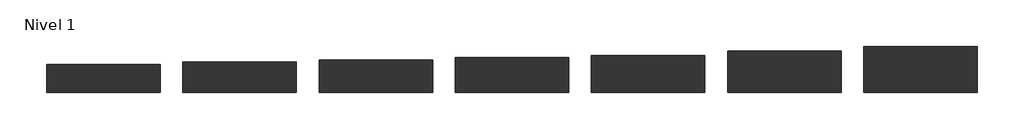
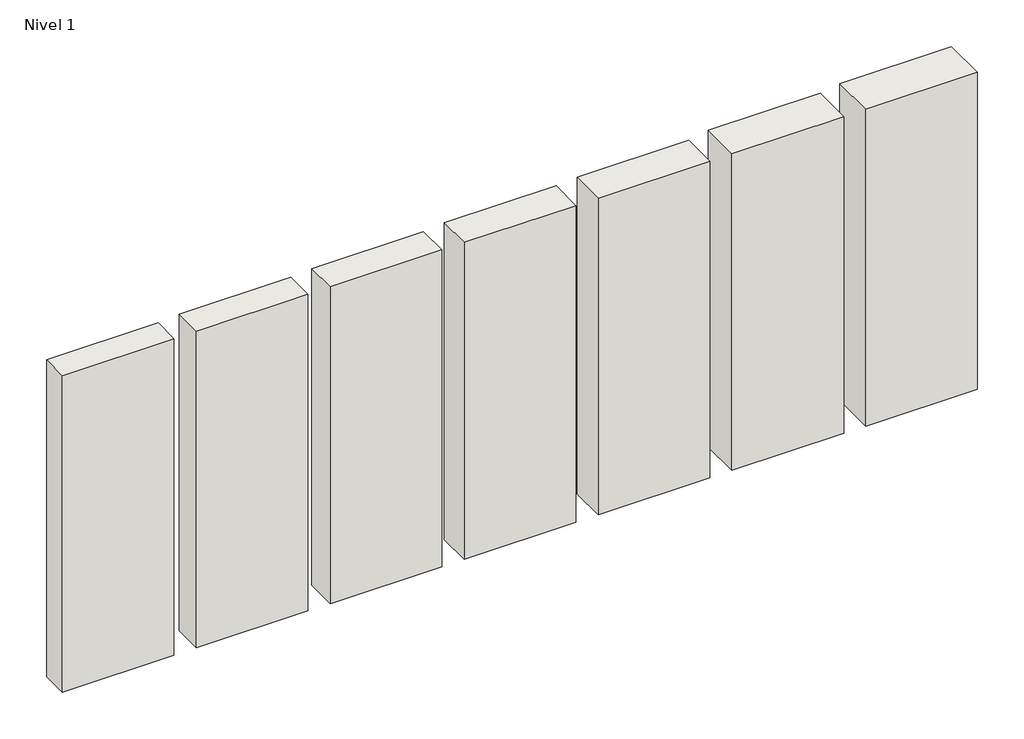
# One storey: 7 walls.
"""IFC4 building model written with IfcOpenShell, lengths in millimetres."""

from ifc_helpers import new_model, si_unit, origin, origin_with_axes, place, context, project, spatial, polyline, outline, extrude, element, save

model = new_model("IFC4")

# Units and contexts
model_context = context("Model", 3, world=origin())
ifc_project = project(units=[si_unit("LENGTHUNIT", "METRE", prefix="MILLI")], contexts=[model_context])

# Site, building, storey
site = spatial("IfcSite", under=ifc_project)
building = spatial("IfcBuilding", under=site)
storey = spatial("IfcBuildingStorey", under=building, Name="Nivel 1", Elevation=0.0)

# Walls
placement = place(None, origin())
element("IfcWall", 1, at=placement, inside=storey, context=model_context, shape_type="SweptSolid", body=[
    extrude(outline(polyline([(1084.4345966, -810.4108764), (84.4345966, -810.4108764), (84.4345966, -545.4108764), (1084.4345966, -545.4108764), (1084.4345966, -810.4108764)])), origin_with_axes(), (0.0, 0.0, 1.0), 3000.0),
])
element("IfcWall", 2, at=placement, inside=storey, context=model_context, shape_type="SweptSolid", body=[
    extrude(outline(polyline([(2284.4345966, -810.4108764), (1284.4345966, -810.4108764), (1284.4345966, -525.4108764), (2284.4345966, -525.4108764), (2284.4345966, -810.4108764)])), origin_with_axes(), (0.0, 0.0, 1.0), 3000.0),
])
element("IfcWall", 3, at=placement, inside=storey, context=model_context, shape_type="SweptSolid", body=[
    extrude(outline(polyline([(3484.4345966, -810.4108764), (2484.4345966, -810.4108764), (2484.4345966, -505.4108764), (3484.4345966, -505.4108764), (3484.4345966, -810.4108764)])), origin_with_axes(), (0.0, 0.0, 1.0), 3000.0),
])
element("IfcWall", 4, at=placement, inside=storey, context=model_context, shape_type="SweptSolid", body=[
    extrude(outline(polyline([(4684.4345966, -810.4108764), (3684.4345966, -810.4108764), (3684.4345966, -485.4108764), (4684.4345966, -485.4108764), (4684.4345966, -810.4108764)])), origin_with_axes(), (0.0, 0.0, 1.0), 3000.0),
])
element("IfcWall", 5, at=placement, inside=storey, context=model_context, shape_type="SweptSolid", body=[
    extrude(outline(polyline([(5884.4345966, -810.4108764), (4884.4345966, -810.4108764), (4884.4345966, -445.4108764), (5884.4345966, -445.4108764), (5884.4345966, -810.4108764)])), origin_with_axes(), (0.0, 0.0, 1.0), 3000.0),
])
element("IfcWall", 6, at=placement, inside=storey, context=model_context, shape_type="SweptSolid", body=[
    extrude(outline(polyline([(7084.4345966, -810.4108764), (6084.4345966, -810.4108764), (6084.4345966, -405.4108764), (7084.4345966, -405.4108764), (7084.4345966, -810.4108764)])), origin_with_axes(), (0.0, 0.0, 1.0), 3000.0),
])
element("IfcWall", 7, at=placement, inside=storey, context=model_context, shape_type="SweptSolid", body=[
    extrude(outline(polyline([(-115.5654034, -810.4108764), (-1115.5654034, -810.4108764), (-1115.5654034, -565.4108764), (-115.5654034, -565.4108764), (-115.5654034, -810.4108764)])), origin_with_axes(), (0.0, 0.0, 1.0), 3000.0),
])

save(model, "model.ifc")
